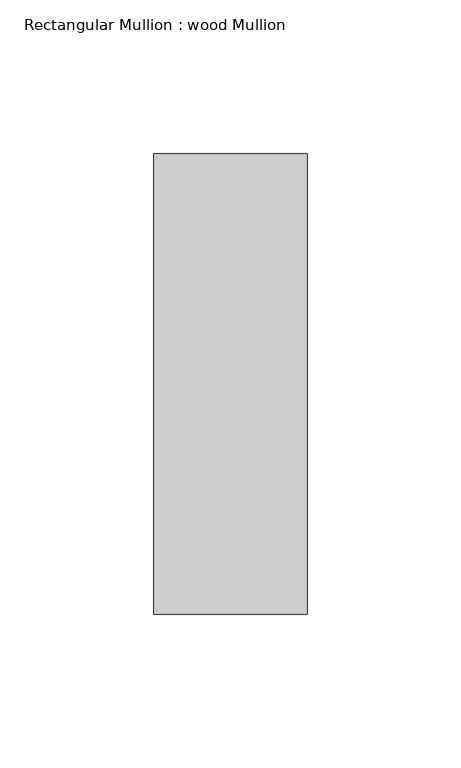
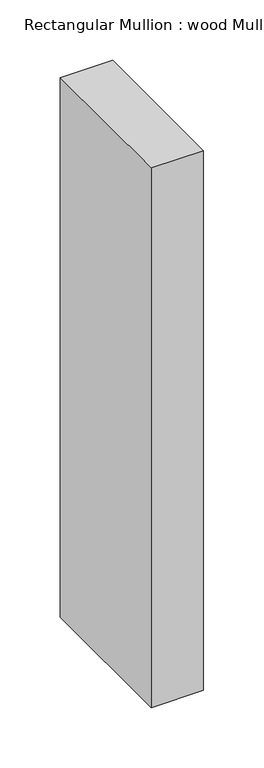
"""IFC4 building model written with IfcOpenShell, lengths in millimetres: member geometry, Rectangular Mullion : wood Mullion."""

from ifc_helpers import new_model, si_unit, frame, origin, place, context, project, spatial, polyline, outline, extrude, source, transform, mapped, element, save


def rectangular_mullion_wood_mullion_81584db6(model_context):
    return source(origin(), model_context, "Body", "SweptSolid", [
        extrude(outline(polyline([(25.0, 75.0), (25.0, -75.0), (-25.0, -75.0), (-25.0, 75.0), (25.0, 75.0)])), frame((0.0, 0.0, -545.0), z_axis=(0.0, 0.0, 1.0), x_axis=(1.0, 0.0, 0.0)), (0.0, 0.0, 1.0), 545.0),
    ])


if __name__ == "__main__":
    model = new_model("IFC4")
    model_context = context("Model", 3, world=origin())
    ifc_project = project(units=[si_unit("LENGTHUNIT", "METRE", prefix="MILLI")], contexts=[model_context])
    site = spatial("IfcSite", under=ifc_project)
    building = spatial("IfcBuilding", under=site)
    placement = place(None, origin())
    rectangular_mullion_wood_mullion_shape = rectangular_mullion_wood_mullion_81584db6(model_context)
    element("IfcMember", 1, ObjectType="Rectangular Mullion : wood Mullion", at=placement, inside=building, context=model_context, shape_type="MappedRepresentation", body=[
        mapped(rectangular_mullion_wood_mullion_shape, transform((0.0, 0.0, 0.0), x_axis=(1.0, 0.0, 0.0), y_axis=(0.0, 1.0, 0.0), z_axis=(0.0, 0.0, 1.0))),
    ])
    save(model, "model.ifc")
